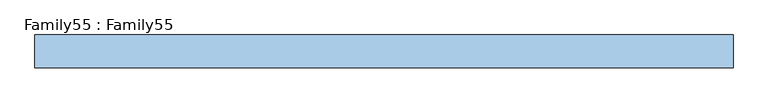
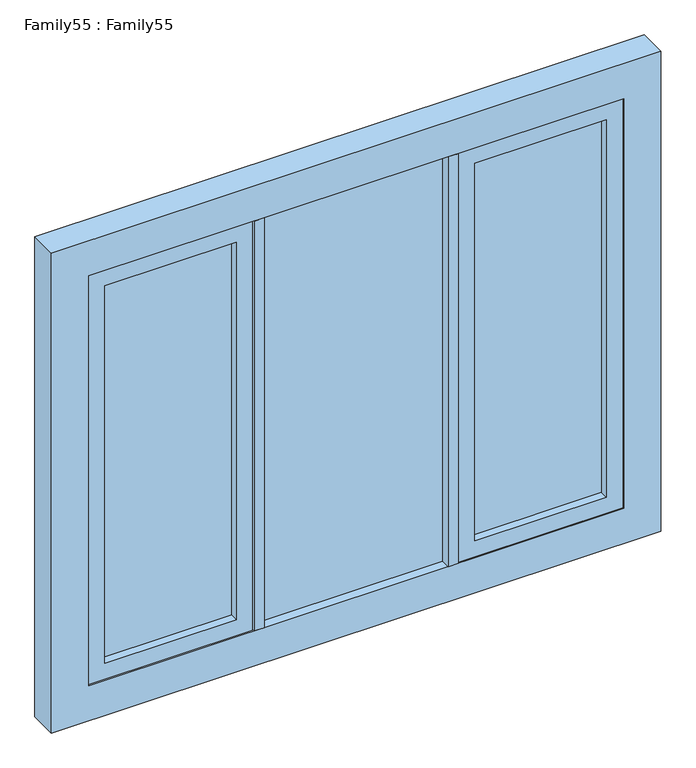
"""IFC4 building model written with IfcOpenShell, lengths in millimetres: window geometry, Family55 : Family55."""

from ifc_helpers import new_model, si_unit, frame, origin, place, context, project, spatial, polyline, outline, extrude, source, transform, mapped, element, save


def family55_family55_5780d34d(model_context):
    return source(origin(), model_context, "Body", "SweptSolid", [
        extrude(outline(polyline([(270.0, 14.0), (270.0, 10.0), (-270.0, 10.0), (-270.0, 14.0), (270.0, 14.0)])), frame((0.0, 0.0, 909.0), z_axis=(0.0, 0.0, 1.0), x_axis=(1.0, 0.0, 0.0)), (0.0, 0.0, 1.0), 1272.0),
        extrude(outline(polyline([(-270.0, -10.0), (270.0, -10.0), (270.0, -14.0), (-270.0, -14.0), (-270.0, -10.0)])), frame((0.0, 0.0, 909.0), z_axis=(0.0, 0.0, 1.0), x_axis=(1.0, 0.0, 0.0)), (0.0, 0.0, 1.0), 1272.0),
        extrude(outline(polyline([(-350.0, 14.0), (-350.0, 10.0), (-736.0, 10.0), (-736.0, 14.0), (-350.0, 14.0)])), frame((0.0, 0.0, 959.0), z_axis=(0.0, 0.0, 1.0), x_axis=(1.0, 0.0, 0.0)), (0.0, 0.0, 1.0), 1172.0),
        extrude(outline(polyline([(-350.0, -10.0), (-350.0, -14.0), (-736.0, -14.0), (-736.0, -10.0), (-350.0, -10.0)])), frame((0.0, 0.0, 959.0), z_axis=(0.0, 0.0, 1.0), x_axis=(1.0, 0.0, 0.0)), (0.0, 0.0, 1.0), 1172.0),
        extrude(outline(polyline([(736.0, 14.0), (736.0, 10.0), (350.0, 10.0), (350.0, 14.0), (736.0, 14.0)])), frame((0.0, 0.0, 959.0), z_axis=(0.0, 0.0, 1.0), x_axis=(1.0, 0.0, 0.0)), (0.0, 0.0, 1.0), 1172.0),
        extrude(outline(polyline([(350.0, -10.0), (736.0, -10.0), (736.0, -14.0), (350.0, -14.0), (350.0, -10.0)])), frame((0.0, 0.0, 959.0), z_axis=(0.0, 0.0, 1.0), x_axis=(1.0, 0.0, 0.0)), (0.0, 0.0, 1.0), 1172.0),
        extrude(outline(polyline([(300.0, -42.0), (270.0, -42.0), (270.0, 42.0), (300.0, 42.0), (300.0, -42.0)])), frame((0.0, 0.0, 909.0), z_axis=(0.0, 0.0, 1.0), x_axis=(1.0, 0.0, 0.0)), (0.0, 0.0, 1.0), 1272.0),
        extrude(outline(polyline([(-270.0, -42.0), (-300.0, -42.0), (-300.0, 42.0), (-270.0, 42.0), (-270.0, -42.0)])), frame((0.0, 0.0, 909.0), z_axis=(0.0, 0.0, 1.0), x_axis=(1.0, 0.0, 0.0)), (0.0, 0.0, 1.0), 1272.0),
        extrude(outline(polyline([(2181.0, 302.1746006), (909.0, 302.1746006), (909.0, 786.0), (2181.0, 786.0), (2181.0, 302.1746006)]), holes=[polyline([(959.0, 350.0), (2131.0, 350.0), (2131.0, 736.0), (959.0, 736.0), (959.0, 350.0)])]), frame((0.0, -38.0, 0.0), z_axis=(0.0, 1.0, 0.0), x_axis=(0.0, 0.0, 1.0)), (0.0, 0.0, 1.0), 76.0),
        extrude(outline(polyline([(2181.0, -302.7270659), (2181.0, -786.0), (909.0, -786.0), (909.0, -302.7270659), (2181.0, -302.7270659)]), holes=[polyline([(959.0, -350.0), (959.0, -736.0), (2131.0, -736.0), (2131.0, -350.0), (959.0, -350.0)])]), frame((0.0, -38.0, 0.0), z_axis=(0.0, 1.0, 0.0), x_axis=(0.0, 0.0, 1.0)), (0.0, 0.0, 1.0), 76.0),
        extrude(outline(polyline([(2290.0, 895.0), (2290.0, -895.0), (800.0, -895.0), (800.0, 895.0), (2290.0, 895.0)]), holes=[polyline([(909.0, 786.0), (909.0, -786.0), (2181.0, -786.0), (2181.0, 786.0), (909.0, 786.0)])]), frame((0.0, -42.0, 0.0), z_axis=(0.0, 1.0, 0.0), x_axis=(0.0, 0.0, 1.0)), (0.0, 0.0, 1.0), 84.0),
    ])


if __name__ == "__main__":
    model = new_model("IFC4")
    model_context = context("Model", 3, world=origin())
    ifc_project = project(units=[si_unit("LENGTHUNIT", "METRE", prefix="MILLI")], contexts=[model_context])
    site = spatial("IfcSite", under=ifc_project)
    building = spatial("IfcBuilding", under=site)
    placement = place(None, origin())
    family55_family55_shape = family55_family55_5780d34d(model_context)
    element("IfcWindow", 1, ObjectType="Family55 : Family55", at=placement, inside=building, context=model_context, shape_type="MappedRepresentation", body=[
        mapped(family55_family55_shape, transform((0.0, 0.0, 0.0), x_axis=(1.0, 0.0, 0.0), y_axis=(0.0, 1.0, 0.0), z_axis=(0.0, 0.0, 1.0))),
    ])
    save(model, "model.ifc")
